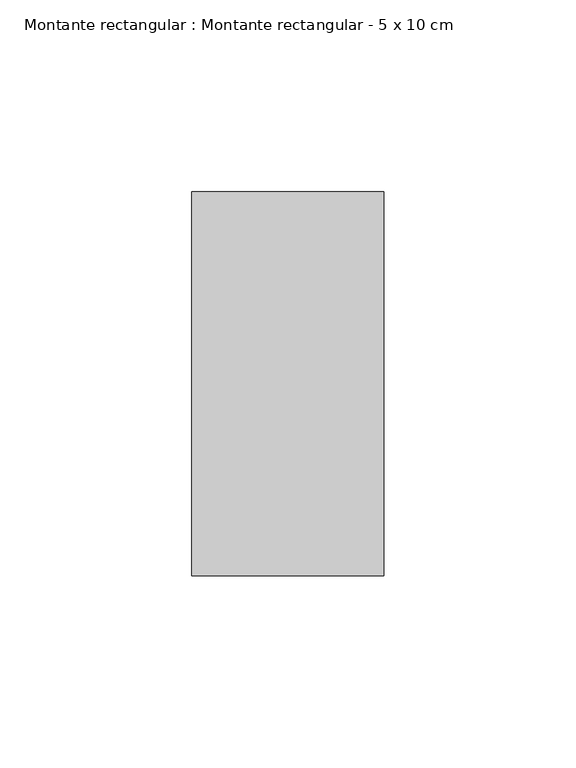
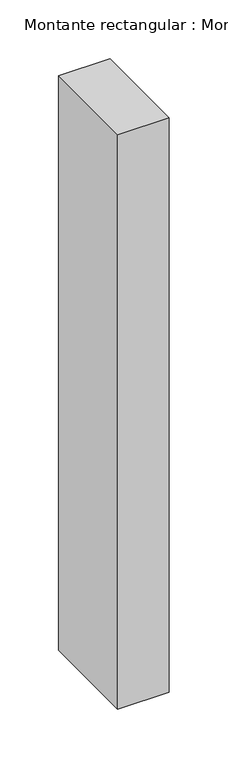
"""IFC4 building model written with IfcOpenShell, lengths in millimetres: member geometry, Montante rectangular : Montante rectangular - 5 x 10 cm."""

from ifc_helpers import new_model, si_unit, frame, origin, place, context, project, spatial, polyline, outline, extrude, source, transform, mapped, element, save


def montante_rectangular_montante_rectangular_5_x_10_cm_4e8a438b(model_context):
    return source(origin(), model_context, "Body", "SweptSolid", [
        extrude(outline(polyline([(0.0, 50.0), (0.0, -50.0), (-50.0, -50.0), (-50.0, 50.0), (0.0, 50.0)])), frame((0.0, 0.0, -594.4064043), z_axis=(0.0, 0.0, 1.0), x_axis=(1.0, 0.0, 0.0)), (0.0, 0.0, 1.0), 594.4064043),
    ])


if __name__ == "__main__":
    model = new_model("IFC4")
    model_context = context("Model", 3, world=origin())
    ifc_project = project(units=[si_unit("LENGTHUNIT", "METRE", prefix="MILLI")], contexts=[model_context])
    site = spatial("IfcSite", under=ifc_project)
    building = spatial("IfcBuilding", under=site)
    placement = place(None, origin())
    montante_rectangular_montante_rectangular_5_x_10_cm_shape = montante_rectangular_montante_rectangular_5_x_10_cm_4e8a438b(model_context)
    element("IfcMember", 1, ObjectType="Montante rectangular : Montante rectangular - 5 x 10 cm", at=placement, inside=building, context=model_context, shape_type="MappedRepresentation", body=[
        mapped(montante_rectangular_montante_rectangular_5_x_10_cm_shape, transform((0.0, 0.0, 0.0), x_axis=(1.0, 0.0, 0.0), y_axis=(0.0, 1.0, 0.0), z_axis=(0.0, 0.0, 1.0))),
    ])
    save(model, "model.ifc")
